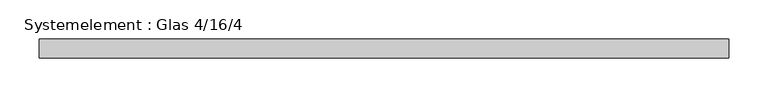
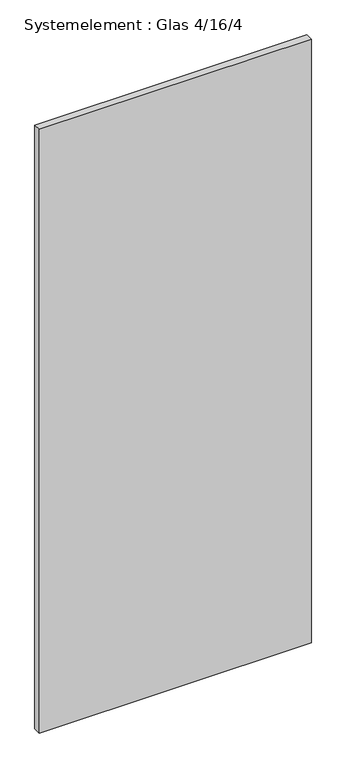
"""IFC4 building model written with IfcOpenShell, lengths in millimetres: plate geometry, Systemelement : Glas 4/16/4."""

from ifc_helpers import new_model, si_unit, origin, origin_with_axes, place, context, project, spatial, polyline, outline, extrude, source, transform, mapped, element, save


def systemelement_glas_4_16_4_89b7d265(model_context):
    return source(origin(), model_context, "Body", "SweptSolid", [
        extrude(outline(polyline([(436.2500001, -12.0), (-436.2500001, -12.0), (-436.2500001, 12.0), (436.2500001, 12.0), (436.2500001, -12.0)])), origin_with_axes(), (0.0, 0.0, 1.0), 2045.0),
    ])


if __name__ == "__main__":
    model = new_model("IFC4")
    model_context = context("Model", 3, world=origin())
    ifc_project = project(units=[si_unit("LENGTHUNIT", "METRE", prefix="MILLI")], contexts=[model_context])
    site = spatial("IfcSite", under=ifc_project)
    building = spatial("IfcBuilding", under=site)
    placement = place(None, origin())
    systemelement_glas_4_16_4_shape = systemelement_glas_4_16_4_89b7d265(model_context)
    element("IfcPlate", 1, ObjectType="Systemelement : Glas 4/16/4", at=placement, inside=building, context=model_context, shape_type="MappedRepresentation", body=[
        mapped(systemelement_glas_4_16_4_shape, transform((0.0, 0.0, 0.0), x_axis=(1.0, 0.0, 0.0), y_axis=(0.0, 1.0, 0.0), z_axis=(0.0, 0.0, 1.0))),
    ])
    save(model, "model.ifc")
